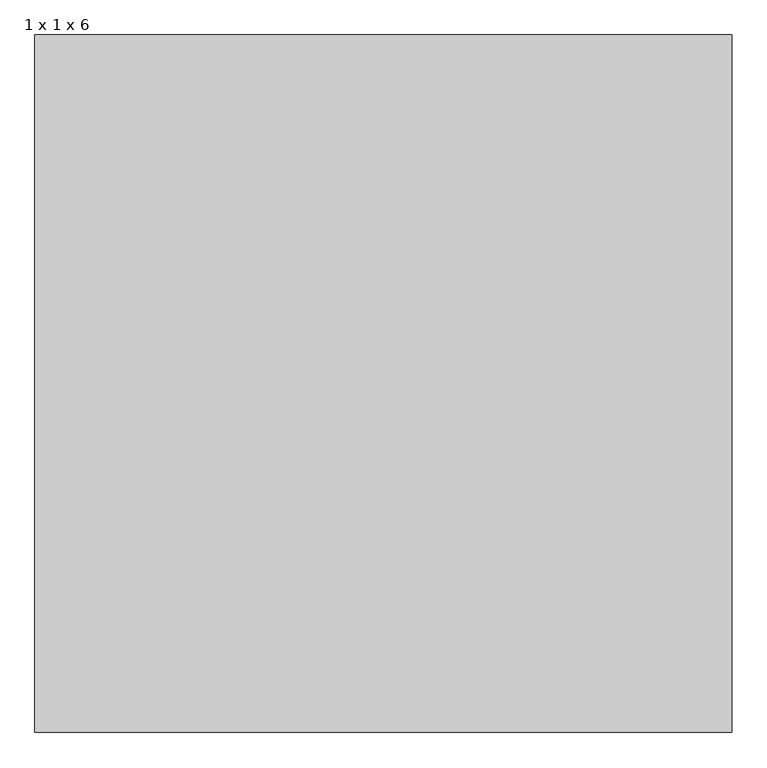
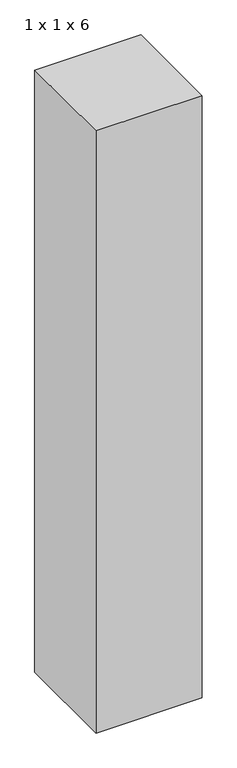
"""IFC4 building model written with IfcOpenShell, lengths in millimetres: proxy geometry, 1 x 1 x 6."""

from ifc_helpers import new_model, si_unit, origin, origin_with_axes, place, context, project, spatial, polyline, outline, extrude, source, transform, mapped, element, save


def proxy_1_x_1_x_6_d7dffa64(model_context):
    return source(origin(), model_context, "Body", "SweptSolid", [
        extrude(outline(polyline([(1000.0, 1000.0), (1000.0, 0.0), (0.0, 0.0), (0.0, 1000.0), (1000.0, 1000.0)])), origin_with_axes(), (0.0, 0.0, 1.0), 6000.0),
    ])


if __name__ == "__main__":
    model = new_model("IFC4")
    model_context = context("Model", 3, world=origin())
    ifc_project = project(units=[si_unit("LENGTHUNIT", "METRE", prefix="MILLI")], contexts=[model_context])
    site = spatial("IfcSite", under=ifc_project)
    building = spatial("IfcBuilding", under=site)
    placement = place(None, origin())
    proxy_1_x_1_x_6_shape = proxy_1_x_1_x_6_d7dffa64(model_context)
    element("IfcBuildingElementProxy", 1, Name="1 x 1 x 6", ObjectType="1 x 1 x 6", at=placement, inside=building, context=model_context, shape_type="MappedRepresentation", body=[
        mapped(proxy_1_x_1_x_6_shape, transform((0.0, 0.0, 0.0), x_axis=(1.0, 0.0, 0.0), y_axis=(0.0, 1.0, 0.0), z_axis=(0.0, 0.0, 1.0))),
    ])
    save(model, "model.ifc")
